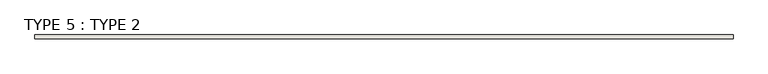
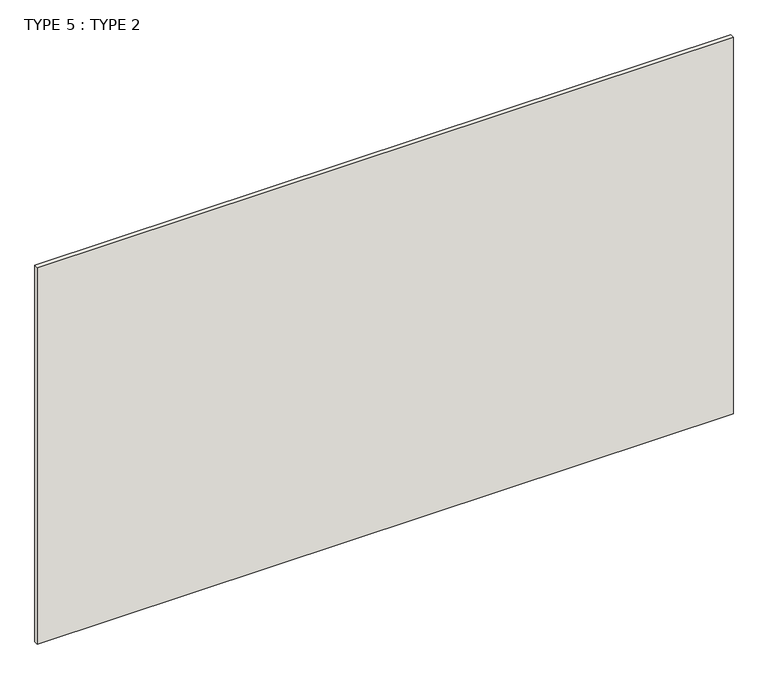
"""IFC4 building model written with IfcOpenShell, lengths in millimetres: wall geometry, TYPE 5 : TYPE 2."""

from ifc_helpers import new_model, si_unit, origin, origin_with_axes, place, context, project, spatial, polyline, outline, extrude, source, transform, mapped, element, save


def type_5_type_2_c7956f62(model_context):
    return source(origin(), model_context, "Body", "SweptSolid", [
        extrude(outline(polyline([(8837.6559655, 25927.840365), (8837.6559655, 25978.640365), (18286.4559655, 25978.640365), (18286.4559655, 25927.840365), (8837.6559655, 25927.840365)])), origin_with_axes(), (0.0, 0.0, 1.0), 5403.85),
    ])


if __name__ == "__main__":
    model = new_model("IFC4")
    model_context = context("Model", 3, world=origin())
    ifc_project = project(units=[si_unit("LENGTHUNIT", "METRE", prefix="MILLI")], contexts=[model_context])
    site = spatial("IfcSite", under=ifc_project)
    building = spatial("IfcBuilding", under=site)
    placement = place(None, origin())
    type_5_type_2_shape = type_5_type_2_c7956f62(model_context)
    element("IfcWall", 1, ObjectType="TYPE 5 : TYPE 2", at=placement, inside=building, context=model_context, shape_type="MappedRepresentation", body=[
        mapped(type_5_type_2_shape, transform((0.0, 0.0, 0.0), x_axis=(1.0, 0.0, 0.0), y_axis=(0.0, 1.0, 0.0), z_axis=(0.0, 0.0, 1.0))),
    ])
    save(model, "model.ifc")
